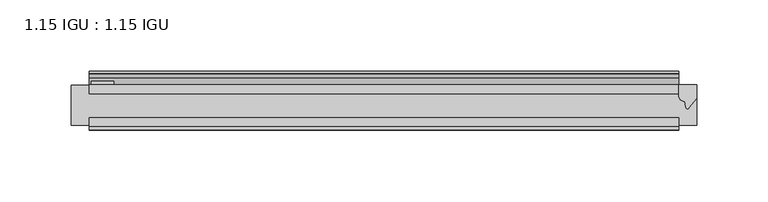
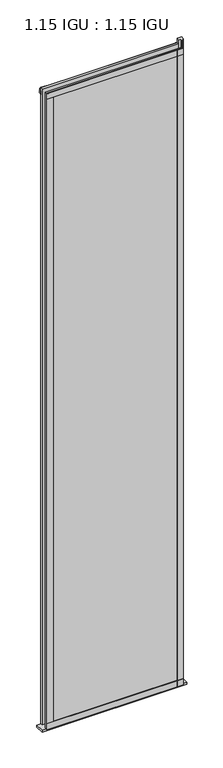
"""IFC4 building model written with IfcOpenShell, lengths in millimetres: plate geometry, 1.15 IGU : 1.15 IGU."""

from ifc_helpers import new_model, si_unit, point, frame, frame_2d, origin, place, context, project, spatial, polyline, circle_curve, trimmed, segment, composite_curve, outline, extrude, source, transform, mapped, element, save


def plate_1_15_igu_1_15_igu_e37100b3(model_context):
    return source(origin(), model_context, "Body", "SweptSolid", [
        extrude(outline(polyline([(206.8571651, 0.0), (206.8571651, -6.2992), (-206.8571651, -6.2992), (-206.8571651, 0.0), (206.8571651, 0.0)])), frame((0.0, 0.0, -19.05), z_axis=(0.0, 0.0, 1.0), x_axis=(1.0, 0.0, 0.0)), (0.0, 0.0, 1.0), 2036.7498001),
        extrude(outline(polyline([(-206.8571651, -23.1648), (206.8571651, -23.1648), (206.8571651, -29.464), (-206.8571651, -29.464), (-206.8571651, -23.1648)])), frame((0.0, 0.0, -19.05), z_axis=(0.0, 0.0, 1.0), x_axis=(1.0, 0.0, 0.0)), (0.0, 0.0, 1.0), 2036.7498001),
        extrude(outline(composite_curve([segment(trimmed(circle_curve(frame_2d((10.9021792, -22.6833935)), 11.4916952), [point((0.0, -19.05))], [point((-0.2638007, -25.4))], True, "CARTESIAN"), True, "CONTINUOUS"), segment(polyline([(-0.2638007, -25.4), (-27.9952564, -25.4), (-27.9952564, -19.05), (0.0, -19.05)]), True, "CONTINUOUS")], self_intersect=False)), frame((-219.5571651, 0.0, 0.0), z_axis=(1.0, 0.0, 0.0), x_axis=(0.0, 1.0, 0.0)), (0.0, 0.0, 1.0), 439.1143303),
        extrude(outline(composite_curve([segment(polyline([(219.5571651, 0.0), (219.5571651, -9.7395025), (213.9909343, -16.3730781)]), True, "CONTINUOUS"), segment(trimmed(circle_curve(frame_2d((213.0372593, -15.7728374)), 1.1268473), [point((213.9909343, -16.3730781))], [point((211.9363064, -16.0130197))], False, "CARTESIAN"), True, "CONTINUOUS"), segment(polyline([(211.9363064, -16.0130197), (210.9561149, -11.7377885)]), True, "CONTINUOUS"), segment(trimmed(circle_curve(frame_2d((210.8286631, -7.7683362)), 3.9714979), [point((210.9561149, -11.7377885))], [point((206.8573437, -7.8060014))], False, "CARTESIAN"), True, "CONTINUOUS"), segment(polyline([(206.8573437, -7.8060014), (206.8573437, 0.0), (219.5571651, 0.0)]), True, "CONTINUOUS")], self_intersect=False)), frame((0.0, 0.0, -19.05), z_axis=(0.0, 0.0, 1.0), x_axis=(1.0, 0.0, 0.0)), (0.0, 0.0, 1.0), 2051.8374001),
        extrude(outline(polyline([(-206.8571651, -31.75), (-206.8571651, -29.464), (206.8571651, -29.464), (206.8571651, -31.75), (-206.8571651, -31.75)])), frame((0.0, 0.0, -19.05), z_axis=(0.0, 0.0, 1.0), x_axis=(1.0, 0.0, 0.0)), (0.0, 0.0, 1.0), 19.05),
        extrude(outline(composite_curve([segment(trimmed(circle_curve(frame_2d((-23.3689302, 2041.8664901)), 40.3187601), [point((0.0, 2009.0108131))], [point((4.9746073, 2013.1916528))], True, "CARTESIAN"), True, "CONTINUOUS"), segment(trimmed(circle_curve(frame_2d((5.8674, 2012.2884246)), 1.27), [point((4.9746073, 2013.1916528))], [point((7.1374, 2012.2884246))], False, "CARTESIAN"), True, "CONTINUOUS"), segment(polyline([(7.1374, 2012.2884246), (7.1374, 2007.8876169), (7.7309478, 2005.6724663), (6.35, 2005.4379789), (6.35, 2000.2500001), (9.3980339, 2000.2500001), (9.3980339, 1998.8684051)]), True, "CONTINUOUS"), segment(trimmed(circle_curve(frame_2d((13.6593785, 1967.8551528)), 31.3046461), [point((9.3980339, 1998.8684051))], [point((0.0, 1996.0225498))], True, "CARTESIAN"), True, "CONTINUOUS"), segment(polyline([(0.0, 1996.0225498), (0.0, 2009.0108131)]), True, "CONTINUOUS")], self_intersect=False)), frame((-206.8571651, 0.0, 0.0), z_axis=(1.0, 0.0, 0.0), x_axis=(0.0, 1.0, 0.0)), (0.0, 0.0, 1.0), 413.7143303),
        extrude(outline(polyline([(-206.8571651, -31.75), (-206.8571651, -29.464), (206.8571651, -29.464), (206.8571651, -31.75), (-206.8571651, -31.75)])), frame((0.0, 0.0, 2000.2500001), z_axis=(0.0, 0.0, 1.0), x_axis=(1.0, 0.0, 0.0)), (0.0, 0.0, 1.0), 19.05),
        extrude(outline(polyline([(187.8071651, -29.464), (206.8571651, -29.464), (206.8571651, -31.75), (187.8071651, -31.75), (187.8071651, -29.464)])), frame((0.0, 0.0, -19.05), z_axis=(0.0, 0.0, 1.0), x_axis=(1.0, 0.0, 0.0)), (0.0, 0.0, 1.0), 2036.7498001),
        extrude(outline(polyline([(-206.8571651, -31.75), (-206.8571651, -29.464), (-187.8071651, -29.464), (-187.8071651, -31.75), (-206.8571651, -31.75)])), frame((0.0, 0.0, -19.05), z_axis=(0.0, 0.0, 1.0), x_axis=(1.0, 0.0, 0.0)), (0.0, 0.0, 1.0), 2036.7498001),
        extrude(outline(polyline([(-205.6506651, 0.0), (-205.6506651, 2.286), (-189.7756651, 2.286), (-189.7756651, 0.0), (-205.6506651, 0.0)])), frame((0.0, 0.0, -19.05), z_axis=(0.0, 0.0, 1.0), x_axis=(1.0, 0.0, 0.0)), (0.0, 0.0, 1.0), 2036.7498001),
    ])


if __name__ == "__main__":
    model = new_model("IFC4")
    model_context = context("Model", 3, world=origin())
    ifc_project = project(units=[si_unit("LENGTHUNIT", "METRE", prefix="MILLI")], contexts=[model_context])
    site = spatial("IfcSite", under=ifc_project)
    building = spatial("IfcBuilding", under=site)
    placement = place(None, origin())
    plate_1_15_igu_1_15_igu_shape = plate_1_15_igu_1_15_igu_e37100b3(model_context)
    element("IfcPlate", 1, ObjectType="1.15 IGU : 1.15 IGU", at=placement, inside=building, context=model_context, shape_type="MappedRepresentation", body=[
        mapped(plate_1_15_igu_1_15_igu_shape, transform((0.0, 0.0, 0.0), x_axis=(1.0, 0.0, 0.0), y_axis=(0.0, 1.0, 0.0), z_axis=(0.0, 0.0, 1.0))),
    ])
    save(model, "model.ifc")
